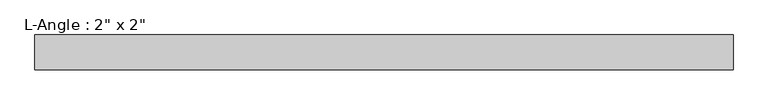
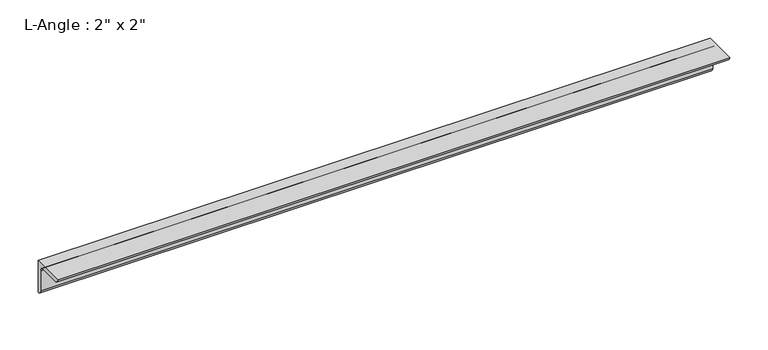
"""IFC4 building model written with IfcOpenShell, lengths in millimetres: beam geometry."""

from ifc_helpers import new_model, si_unit, point, frame, frame_2d, origin, place, context, project, spatial, polyline, circle_curve, trimmed, segment, composite_curve, outline, extrude, source, transform, mapped, element, save


def beam_3b241198(model_context):
    return source(origin(), model_context, "Body", "SweptSolid", [
        extrude(outline(composite_curve([segment(polyline([(0.0, 0.0), (0.0, -50.8)]), True, "CONTINUOUS"), segment(trimmed(circle_curve(frame_2d((0.0, -44.45)), 6.35), [point((0.0, -50.8))], [point((-6.35, -44.45))], False, "CARTESIAN"), True, "CONTINUOUS"), segment(polyline([(-6.35, -44.45), (-6.35, -12.7)]), True, "CONTINUOUS"), segment(trimmed(circle_curve(frame_2d((-12.7, -12.7)), 6.35), [point((-6.35, -12.7))], [point((-12.7, -6.35))], True, "CARTESIAN"), True, "CONTINUOUS"), segment(polyline([(-12.7, -6.35), (-44.45, -6.35)]), True, "CONTINUOUS"), segment(trimmed(circle_curve(frame_2d((-44.45, 0.0)), 6.35), [point((-44.45, -6.35))], [point((-50.8, 0.0))], False, "CARTESIAN"), True, "CONTINUOUS"), segment(polyline([(-50.8, 0.0), (0.0, 0.0)]), True, "CONTINUOUS")], self_intersect=False)), frame((-506.1891017, 0.0, 0.0), z_axis=(1.0, 0.0, 0.0), x_axis=(0.0, 1.0, 0.0)), (0.0, 0.0, 1.0), 1012.3782035),
    ])


if __name__ == "__main__":
    model = new_model("IFC4")
    model_context = context("Model", 3, world=origin())
    ifc_project = project(units=[si_unit("LENGTHUNIT", "METRE", prefix="MILLI")], contexts=[model_context])
    site = spatial("IfcSite", under=ifc_project)
    building = spatial("IfcBuilding", under=site)
    placement = place(None, origin())
    beam_shape = beam_3b241198(model_context)
    element("IfcBeam", 1, ObjectType="L-Angle : 2\" x 2\"", at=placement, inside=building, context=model_context, shape_type="MappedRepresentation", body=[
        mapped(beam_shape, transform((0.0, 0.0, 0.0), x_axis=(1.0, 0.0, 0.0), y_axis=(0.0, 1.0, 0.0), z_axis=(0.0, 0.0, 1.0))),
    ])
    save(model, "model.ifc")
